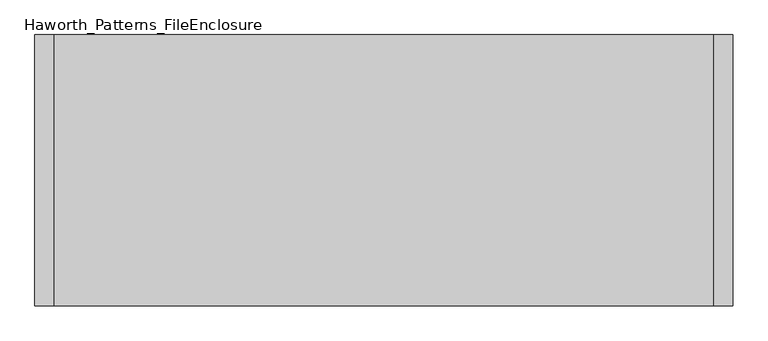
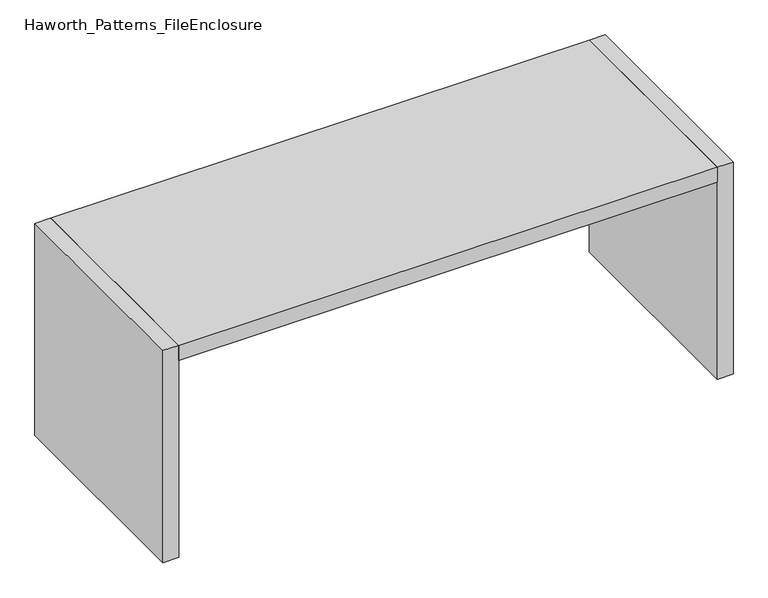
"""IFC4 building model written with IfcOpenShell, lengths in millimetres: furniture geometry, Haworth_Patterns_FileEnclosure."""

from ifc_helpers import new_model, si_unit, frame, origin, origin_with_axes, place, context, project, spatial, polyline, outline, extrude, source, transform, mapped, element, save


def haworth_patterns_fileenclosure_238c9320(model_context):
    return source(origin(), model_context, "Body", "SweptSolid", [
        extrude(outline(polyline([(1295.4, 0.0), (1295.4, -1066.8), (-1295.4, -1066.8), (-1295.4, 0.0), (1295.4, 0.0)])), frame((0.0, 0.0, 1003.3), z_axis=(0.0, 0.0, 1.0), x_axis=(1.0, 0.0, 0.0)), (0.0, 0.0, 1.0), 76.2),
        extrude(outline(polyline([(1295.4, 0.0), (1371.6, 0.0), (1371.6, -1066.8), (1295.4, -1066.8), (1295.4, 0.0)])), origin_with_axes(), (0.0, 0.0, 1.0), 1079.5),
        extrude(outline(polyline([(-1295.4, 0.0), (-1295.4, -1066.8), (-1371.6, -1066.8), (-1371.6, 0.0), (-1295.4, 0.0)])), origin_with_axes(), (0.0, 0.0, 1.0), 1079.5),
    ])


if __name__ == "__main__":
    model = new_model("IFC4")
    model_context = context("Model", 3, world=origin())
    ifc_project = project(units=[si_unit("LENGTHUNIT", "METRE", prefix="MILLI")], contexts=[model_context])
    site = spatial("IfcSite", under=ifc_project)
    building = spatial("IfcBuilding", under=site)
    placement = place(None, origin())
    haworth_patterns_fileenclosure_shape = haworth_patterns_fileenclosure_238c9320(model_context)
    element("IfcFurniture", 1, ObjectType="Haworth_Patterns_FileEnclosure", at=placement, inside=building, context=model_context, shape_type="MappedRepresentation", body=[
        mapped(haworth_patterns_fileenclosure_shape, transform((0.0, 0.0, 0.0), x_axis=(1.0, 0.0, 0.0), y_axis=(0.0, 1.0, 0.0), z_axis=(0.0, 0.0, 1.0))),
    ])
    save(model, "model.ifc")
